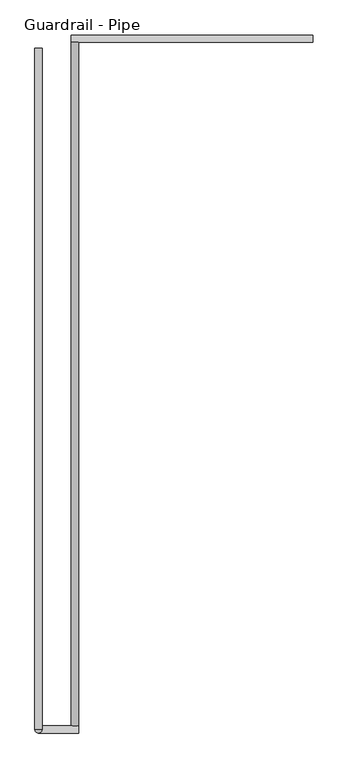
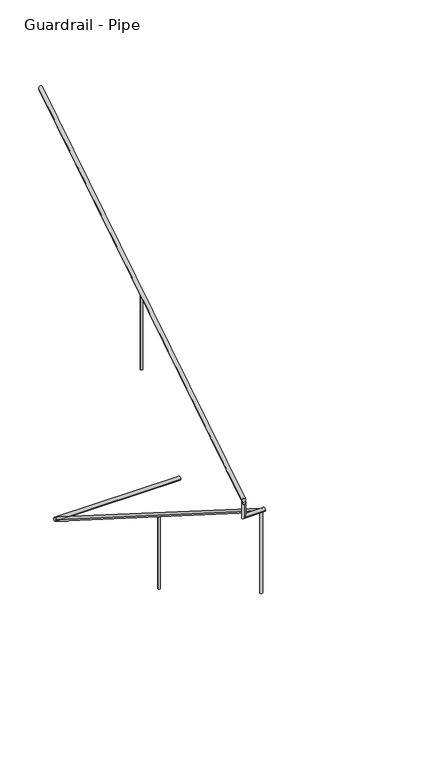
"""IFC4 building model written with IfcOpenShell, lengths in millimetres: railing geometry, Guardrail - Pipe."""

from ifc_helpers import new_model, si_unit, frame, origin, place, context, project, spatial, circle_curve, ellipse_curve, source, transform, mapped, element, save
from ifc_brep_helpers import plane_surface, cylinder_surface, advanced_brep


def guardrail_pipe_f21e5740(model_context):
    return source(origin(), model_context, "Body", "AdvancedBrep", [
        advanced_brep(
        [(487033.6754676, -251251.2580223, 896.2158407), (486995.5754676, -251251.2580223, 896.2158407), (487033.6754676, -254896.1580223, 3203.4252683), (486995.5754676, -254896.1580223, 3203.4252683)],
        [
            (0, 1, ellipse_curve(frame((487014.6254676, -251251.2580223, 896.2158407), z_axis=(0.0, 1.0, 0.0), x_axis=(0.0, 0.0, -1.0)), 22.5457755, 19.05)),
            (1, 0, ellipse_curve(frame((487014.6254676, -251251.2580223, 896.2158407), z_axis=(0.0, 1.0, 0.0), x_axis=(0.0, 0.0, -1.0)), 22.5457755, 19.05)),
            (2, 3, ellipse_curve(frame((487014.6254676, -254896.1580223, 3203.4252683), z_axis=(0.0, -1.0, 0.0), x_axis=(0.0, 0.0, -1.0)), 22.5457755, 19.05)),
            (3, 2, ellipse_curve(frame((487014.6254676, -254896.1580223, 3203.4252683), z_axis=(0.0, -1.0, 0.0), x_axis=(0.0, 0.0, -1.0)), 22.5457755, 19.05)),
            (1, 3),
            (2, 0),
        ],
        [
            plane_surface(frame((487014.6254676, -251251.2580223, 918.7616162), z_axis=(0.0, 1.0, 0.0), x_axis=(0.0, 0.0, -1.0))),
            plane_surface(frame((487014.6254676, -254896.1580223, 3225.9710438), z_axis=(0.0, -1.0, 0.0), x_axis=(0.0, 0.0, -1.0))),
            cylinder_surface(frame((487014.6254676, -251261.4468961, 902.6653635), z_axis=(0.0, 0.8449476488296452, -0.5348490167675869), x_axis=(-1.0, 0.0, 0.0)), 19.05),
        ],
        [
            (0, [[1, 2]]),
            (1, [[3, 4]]),
            (2, [[-2, 5, -3, 6]]),
            (2, [[-1, -6, -4, -5]]),
        ],
    ),
        advanced_brep(
        [(487033.6754676, -254934.2580223, 3218.9796296), (487033.6754676, -254896.1580223, 3218.9796296), (486820.105137, -254896.1580223, 3218.9796296), (486820.105137, -254934.2580223, 3218.9796296), (486820.105137, -254934.2580223, 3357.738752), (486820.105137, -254896.1580223, 3381.8559237)],
        [
            (0, 1, circle_curve(frame((487033.6754676, -254915.2080223, 3218.9796296), z_axis=(1.0, 0.0, 0.0), x_axis=(0.0, 1.0, 0.0)), 19.05)),
            (1, 0, circle_curve(frame((487033.6754676, -254915.2080223, 3218.9796296), z_axis=(1.0, 0.0, 0.0), x_axis=(0.0, 1.0, 0.0)), 19.05)),
            (1, 2),
            (2, 3, ellipse_curve(frame((486820.105137, -254915.2080223, 3218.9796296), z_axis=(0.7071067811865475, 0.0, -0.7071067811865475), x_axis=(0.7071067811865476, 0.0, 0.7071067811865474)), 26.9407684, 19.05)),
            (3, 0),
            (3, 2, ellipse_curve(frame((486820.105137, -254915.2080223, 3218.9796296), z_axis=(0.7071067811865475, 0.0, -0.7071067811865475), x_axis=(0.7071067811865476, 0.0, 0.7071067811865474)), 26.9407684, 19.05)),
            (4, 5, ellipse_curve(frame((486820.105137, -254915.2080223, 3369.7973379), z_axis=(0.0, -0.5348490167675869, 0.8449476488296452), x_axis=(0.0, -0.8449476488296452, -0.5348490167675869)), 22.5457755, 19.05)),
            (5, 4, ellipse_curve(frame((486820.105137, -254915.2080223, 3369.7973379), z_axis=(0.0, -0.5348490167675869, 0.8449476488296452), x_axis=(0.0, -0.8449476488296452, -0.5348490167675869)), 22.5457755, 19.05)),
            (2, 5),
            (4, 3),
        ],
        [
            plane_surface(frame((487033.6754676, -254915.2080223, 3238.0296296), z_axis=(1.0, 0.0, 0.0), x_axis=(0.0, -1.0, 0.0))),
            cylinder_surface(frame((487033.6754676, -254915.2080223, 3218.9796296), z_axis=(1.0, 0.0, 0.0), x_axis=(0.0, 1.0, 0.0)), 19.05),
            plane_surface(frame((486839.155137, -254915.2080223, 3369.7973379), z_axis=(0.0, -0.5348490167675869, 0.8449476488296452), x_axis=(1.0, 0.0, 0.0))),
            cylinder_surface(frame((486820.105137, -254915.2080223, 3238.0296296), z_axis=(0.0, 0.0, -1.0), x_axis=(0.0, 1.0, 0.0)), 19.05),
        ],
        [
            (0, [[1, 2]]),
            (1, [[-2, 3, 4, 5]]),
            (1, [[-1, -5, 6, -3]]),
            (2, [[7, 8]]),
            (3, [[-4, 9, -7, 10]]),
            (3, [[-6, -10, -8, -9]]),
        ],
    ),
        advanced_brep(
        [(486801.055137, -254915.2080223, 3392.3431134), (486839.155137, -254915.2080223, 3392.3431134), (486801.055137, -251283.0080223, 5691.5134838), (486839.155137, -251283.0080223, 5691.5134838)],
        [
            (0, 1, ellipse_curve(frame((486820.105137, -254915.2080223, 3392.3431134), z_axis=(0.0, -1.0, 0.0), x_axis=(0.0, 0.0, -1.0)), 22.5457755, 19.05)),
            (1, 0, ellipse_curve(frame((486820.105137, -254915.2080223, 3392.3431134), z_axis=(0.0, -1.0, 0.0), x_axis=(0.0, 0.0, -1.0)), 22.5457755, 19.05)),
            (2, 3, ellipse_curve(frame((486820.105137, -251283.0080223, 5691.5134838), z_axis=(0.0, 1.0, 0.0), x_axis=(0.0, 0.0, -1.0)), 22.5457755, 19.05)),
            (3, 2, ellipse_curve(frame((486820.105137, -251283.0080223, 5691.5134838), z_axis=(0.0, 1.0, 0.0), x_axis=(0.0, 0.0, -1.0)), 22.5457755, 19.05)),
            (1, 3),
            (2, 0),
        ],
        [
            plane_surface(frame((486820.105137, -254915.2080223, 3414.8888889), z_axis=(0.0, -1.0, 0.0), x_axis=(0.0, 0.0, 1.0))),
            plane_surface(frame((486820.105137, -251283.0080223, 5714.0592593), z_axis=(0.0, 1.0, 0.0), x_axis=(0.0, 0.0, 1.0))),
            cylinder_surface(frame((486820.105137, -254905.0191486, 3398.7926362), z_axis=(0.0, -0.8449476488296452, -0.5348490167675869), x_axis=(1.0, 0.0, 0.0)), 19.05),
        ],
        [
            (0, [[1, 2]]),
            (1, [[3, 4]]),
            (2, [[-2, 5, -3, 6]]),
            (2, [[-1, -6, -4, -5]]),
        ],
    ),
        advanced_brep(
        [(488284.6254676, -251251.2580223, 887.6530303), (488284.6254676, -251213.1580223, 887.6530303), (486995.5754676, -251251.2580223, 887.6530303), (486995.5754676, -251213.1580223, 887.6530303)],
        [
            (0, 1, circle_curve(frame((488284.6254676, -251232.2080223, 887.6530303), z_axis=(1.0, 0.0, 0.0), x_axis=(0.0, 1.0, 0.0)), 19.05)),
            (1, 0, circle_curve(frame((488284.6254676, -251232.2080223, 887.6530303), z_axis=(1.0, 0.0, 0.0), x_axis=(0.0, 1.0, 0.0)), 19.05)),
            (2, 3, circle_curve(frame((486995.5754676, -251232.2080223, 887.6530303), z_axis=(-1.0, 0.0, 0.0), x_axis=(0.0, 1.0, 0.0)), 19.05)),
            (3, 2, circle_curve(frame((486995.5754676, -251232.2080223, 887.6530303), z_axis=(-1.0, 0.0, 0.0), x_axis=(0.0, 1.0, 0.0)), 19.05)),
            (1, 3),
            (2, 0),
        ],
        [
            plane_surface(frame((488284.6254676, -251232.2080223, 906.7030303), z_axis=(1.0, 0.0, 0.0), x_axis=(0.0, -1.0, 0.0))),
            plane_surface(frame((486995.5754676, -251232.2080223, 906.7030303), z_axis=(-1.0, 0.0, 0.0), x_axis=(0.0, -1.0, 0.0))),
            cylinder_surface(frame((488284.6254676, -251232.2080223, 887.6530303), z_axis=(1.0, 0.0, 0.0), x_axis=(0.0, 1.0, 0.0)), 19.05),
        ],
        [
            (0, [[1, 2]]),
            (1, [[3, 4]]),
            (2, [[-2, 5, -3, 6]]),
            (2, [[-1, -6, -4, -5]]),
        ],
    ),
        advanced_brep(
        [(486832.805137, -253086.4080223, 4527.4215803), (486832.805137, -253086.4080223, 3714.0444444), (486807.405137, -253086.4080223, 3714.0444444), (486807.405137, -253086.4080223, 4527.4215803)],
        [
            (0, 1),
            (1, 2, circle_curve(frame((486820.105137, -253086.4080223, 3714.0444444), z_axis=(0.0, 0.0, 1.0), x_axis=(-1.0, 0.0, 0.0)), 12.7)),
            (2, 3),
            (3, 0, ellipse_curve(frame((486820.105137, -253086.4080223, 4527.4215803), z_axis=(0.0, 0.5348490167675828, -0.844947648829648), x_axis=(0.0, 0.8449476488296481, 0.5348490167675825)), 15.030517, 12.7)),
            (0, 3, ellipse_curve(frame((486820.105137, -253086.4080223, 4527.4215803), z_axis=(0.0, 0.5348490167675828, -0.844947648829648), x_axis=(0.0, 0.8449476488296481, 0.5348490167675825)), 15.030517, 12.7)),
            (2, 1, circle_curve(frame((486820.105137, -253086.4080223, 3714.0444444), z_axis=(0.0, 0.0, 1.0), x_axis=(-1.0, 0.0, 0.0)), 12.7)),
        ],
        [
            cylinder_surface(frame((486820.105137, -253086.4080223, 3485.4444444), z_axis=(0.0, 0.0, 1.0), x_axis=(-1.0, 0.0, 0.0)), 12.7),
            plane_surface(frame((486794.705137, -253061.0080223, 4543.4996948), z_axis=(0.0, -0.5348490167675828, 0.844947648829648), x_axis=(1.0, 0.0, 0.0))),
            plane_surface(frame((486794.705137, -253111.8080223, 3714.0444444), z_axis=(0.0, 0.0, -1.0), x_axis=(1.0, 0.0, 0.0))),
        ],
        [
            (0, [[1, 2, 3, 4]]),
            (0, [[-1, 5, -3, 6]]),
            (1, [[-4, -5]]),
            (2, [[-2, -6]]),
        ],
    ),
        advanced_brep(
        [(487001.9254676, -254889.8080223, 3176.8599642), (487001.9254676, -254889.8080223, 2299.1703704), (487027.3254676, -254889.8080223, 2299.1703704), (487027.3254676, -254889.8080223, 3176.8599642)],
        [
            (0, 1),
            (1, 2, circle_curve(frame((487014.6254676, -254889.8080223, 2299.1703704), z_axis=(0.0, 0.0, 1.0), x_axis=(1.0, 0.0, 0.0)), 12.7)),
            (2, 3),
            (3, 0, ellipse_curve(frame((487014.6254676, -254889.8080223, 3176.8599642), z_axis=(0.0, -0.5348490167675843, -0.8449476488296469), x_axis=(0.0, -0.8449476488296469, 0.5348490167675843)), 15.030517, 12.7)),
            (0, 3, ellipse_curve(frame((487014.6254676, -254889.8080223, 3176.8599642), z_axis=(0.0, -0.5348490167675843, -0.8449476488296469), x_axis=(0.0, -0.8449476488296469, 0.5348490167675843)), 15.030517, 12.7)),
            (2, 1, circle_curve(frame((487014.6254676, -254889.8080223, 2299.1703704), z_axis=(0.0, 0.0, 1.0), x_axis=(1.0, 0.0, 0.0)), 12.7)),
        ],
        [
            cylinder_surface(frame((487014.6254676, -254889.8080223, 2070.5703704), z_axis=(0.0, 0.0, 1.0), x_axis=(1.0, 0.0, 0.0)), 12.7),
            plane_surface(frame((487040.0254676, -254915.2080223, 3192.9380786), z_axis=(0.0, 0.5348490167675843, 0.8449476488296469), x_axis=(-1.0, 0.0, 0.0))),
            plane_surface(frame((487040.0254676, -254864.4080223, 2299.1703704), z_axis=(0.0, 0.0, -1.0), x_axis=(-1.0, 0.0, 0.0))),
        ],
        [
            (0, [[1, 2, 3, 4]]),
            (0, [[-1, 5, -3, 6]]),
            (1, [[-4, -5]]),
            (2, [[-2, -6]]),
        ],
    ),
        advanced_brep(
        [(487001.9254676, -253061.0080223, 2019.2357217), (487001.9254676, -253061.0080223, 1238.0148148), (487027.3254676, -253061.0080223, 1238.0148148), (487027.3254676, -253061.0080223, 2019.2357217)],
        [
            (0, 1),
            (1, 2, circle_curve(frame((487014.6254676, -253061.0080223, 1238.0148148), z_axis=(0.0, 0.0, 1.0), x_axis=(1.0, 0.0, 0.0)), 12.7)),
            (2, 3),
            (3, 0, ellipse_curve(frame((487014.6254676, -253061.0080223, 2019.2357217), z_axis=(0.0, -0.5348490167675843, -0.8449476488296469), x_axis=(0.0, -0.8449476488296469, 0.5348490167675843)), 15.030517, 12.7)),
            (0, 3, ellipse_curve(frame((487014.6254676, -253061.0080223, 2019.2357217), z_axis=(0.0, -0.5348490167675843, -0.8449476488296469), x_axis=(0.0, -0.8449476488296469, 0.5348490167675843)), 15.030517, 12.7)),
            (2, 1, circle_curve(frame((487014.6254676, -253061.0080223, 1238.0148148), z_axis=(0.0, 0.0, 1.0), x_axis=(1.0, 0.0, 0.0)), 12.7)),
        ],
        [
            cylinder_surface(frame((487014.6254676, -253061.0080223, 1009.4148148), z_axis=(0.0, 0.0, 1.0), x_axis=(1.0, 0.0, 0.0)), 12.7),
            plane_surface(frame((487040.0254676, -253086.4080223, 2035.3138362), z_axis=(0.0, 0.5348490167675843, 0.8449476488296469), x_axis=(-1.0, 0.0, 0.0))),
            plane_surface(frame((487040.0254676, -253035.6080223, 1238.0148148), z_axis=(0.0, 0.0, -1.0), x_axis=(-1.0, 0.0, 0.0))),
        ],
        [
            (0, [[1, 2, 3, 4]]),
            (0, [[-1, 5, -3, 6]]),
            (1, [[-4, -5]]),
            (2, [[-2, -6]]),
        ],
    ),
    ])


if __name__ == "__main__":
    model = new_model("IFC4")
    model_context = context("Model", 3, world=origin())
    ifc_project = project(units=[si_unit("LENGTHUNIT", "METRE", prefix="MILLI")], contexts=[model_context])
    site = spatial("IfcSite", under=ifc_project)
    building = spatial("IfcBuilding", under=site)
    placement = place(None, origin())
    guardrail_pipe_shape = guardrail_pipe_f21e5740(model_context)
    element("IfcRailing", 1, ObjectType="Guardrail - Pipe", at=placement, inside=building, context=model_context, shape_type="MappedRepresentation", body=[
        mapped(guardrail_pipe_shape, transform((0.0, 0.0, 0.0), x_axis=(1.0, 0.0, 0.0), y_axis=(0.0, 1.0, 0.0), z_axis=(0.0, 0.0, 1.0))),
    ])
    save(model, "model.ifc")
